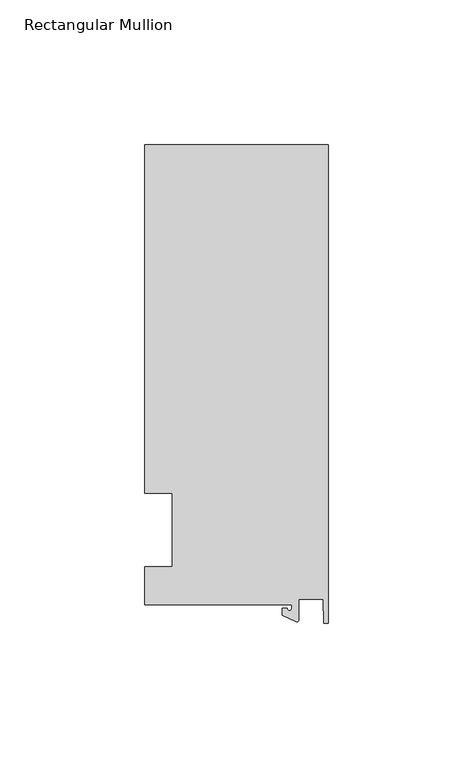
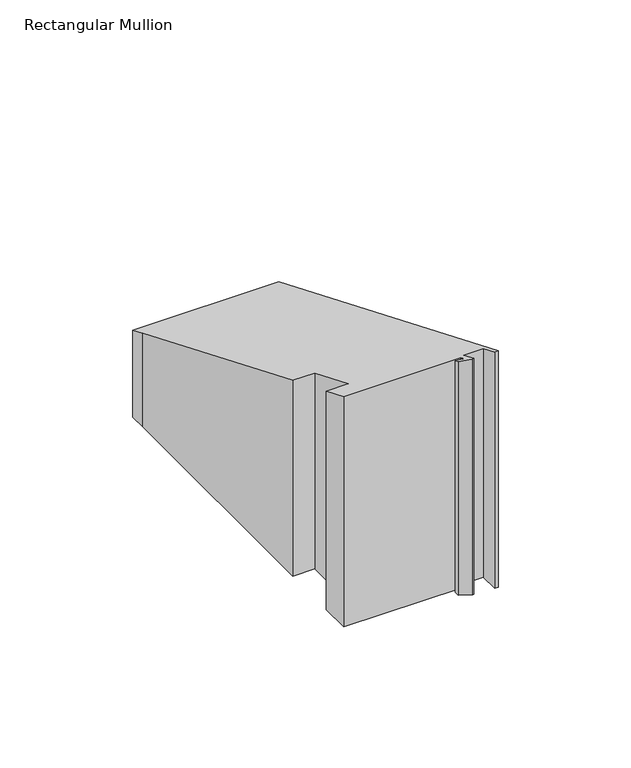
"""IFC4 building model written with IfcOpenShell, lengths in millimetres: member geometry, Rectangular Mullion."""

from ifc_helpers import new_model, si_unit, frame, origin, place, context, project, spatial, polyline, circle_curve, ellipse_curve, source, transform, mapped, element, save
from ifc_brep_helpers import plane_surface, cylinder_surface, revolved_surface, advanced_brep


def rectangular_mullion_6d99e147(model_context):
    return source(origin(), model_context, "Body", "AdvancedBrep", [
        advanced_brep(
        [(-12.6173814, -25.796875, -95.25), (-63.5, -25.796875, -95.25), (-63.5, -12.7, -95.25), (-53.975, -12.7, -95.25), (-53.975, 12.7, -95.25), (-63.5, 12.7, -95.25), (-63.5, 125.8114907, -95.25), (-63.5, 133.34365, -95.25), (0.0, 133.34365, -95.25), (0.0, -32.288874, -95.25), (-1.5658966, -32.288874, -95.25), (-1.7144124, -23.9227662, -95.25), (-10.2297814, -23.9227662, -95.25), (-10.2297814, -31.2414327, -95.25), (-10.9524715, -31.7018371, -95.25), (-15.7923814, -29.44495, -95.25), (-15.7923814, -27.0827507, -95.25), (-14.2048814, -27.0827507, -95.25), (-12.6173814, -27.0827507, -95.25), (-12.6173814, -27.0827507, 11.2180426), (-12.6173814, -25.796875, 10.6854155), (-14.2048814, -27.0827507, 11.2180426), (-15.7923814, -27.0827507, 11.2180426), (-15.7923814, -29.44495, 12.1964976), (-10.9524715, -31.7018371, 13.1313309), (-10.2297814, -31.2414327, 12.9406251), (-10.2297814, -23.9227662, 9.9091342), (-1.7144124, -23.9227662, 9.9091342), (-1.5658966, -32.288874, 13.3744895), (0.0, -32.288874, 13.3744895), (0.0, 133.34365, -55.2327483), (-63.5, 133.34365, -55.2327483), (-63.5, 12.7, -5.2605122), (-63.5, 125.8114907, -52.1128257), (-53.975, 12.7, -5.2605122), (-53.975, -12.7, 5.2605122), (-63.5, -12.7, 5.2605122), (-63.5, -25.796875, 10.6854155)],
        [
            (0, 1),
            (1, 2),
            (2, 3),
            (3, 4),
            (4, 5),
            (5, 6),
            (6, 7),
            (7, 8),
            (8, 9),
            (9, 10),
            (10, 11),
            (11, 12),
            (12, 13),
            (13, 14, circle_curve(frame((-10.7377814, -31.2414327, -95.25), z_axis=(0.0, 0.0, -1.0), x_axis=(-1.0, 0.0, 0.0)), 0.508)),
            (14, 15),
            (15, 16),
            (16, 17),
            (17, 18, circle_curve(frame((-13.4111314, -27.0827507, -95.25), z_axis=(0.0, 0.0, 1.0), x_axis=(-1.0, 0.0, 0.0)), 0.79375)),
            (18, 0),
            (19, 20),
            (20, 0),
            (18, 19),
            (21, 19, ellipse_curve(frame((-13.4111314, -27.0827507, 11.2180426), z_axis=(0.0, 0.3826834323650906, 0.9238795325112864), x_axis=(0.0, 0.9238795325112864, -0.3826834323650908)), 0.8591488, 0.79375)),
            (17, 21),
            (22, 21),
            (16, 22),
            (23, 22),
            (15, 23),
            (24, 23),
            (14, 24),
            (25, 24, ellipse_curve(frame((-10.7377814, -31.2414327, 12.9406251), z_axis=(0.0, -0.3826834323650906, -0.9238795325112864), x_axis=(0.0, -0.9238795325112864, 0.3826834323650908)), 0.5498552, 0.508)),
            (13, 25),
            (26, 25),
            (12, 26),
            (27, 26),
            (11, 27),
            (28, 27),
            (10, 28),
            (29, 28),
            (9, 29),
            (30, 29),
            (8, 30),
            (31, 30),
            (7, 31),
            (32, 33),
            (33, 6),
            (5, 32),
            (34, 32),
            (4, 34),
            (35, 34),
            (3, 35),
            (36, 35),
            (2, 36),
            (37, 36),
            (1, 37),
            (20, 37),
            (31, 33),
        ],
        [
            plane_surface(frame((0.0, -147.6914994, -95.25), z_axis=(0.0, 0.0, -1.0), x_axis=(-1.0, 0.0, 0.0))),
            plane_surface(frame((-12.6173814, -25.796875, 0.0), z_axis=(-1.0, 0.0, 0.0), x_axis=(0.0, 0.0, -1.0))),
            revolved_surface(polyline([(-14.2048814, -27.0827507, -95.25), (-14.2048814, -27.0827507, 11.54682461169635)]), (-13.4111314, -27.0827507, 0.0), (0.0, 0.0, -1.0)),
            plane_surface(frame((-14.2048814, -27.0827507, 0.0), z_axis=(0.0, 1.0, 0.0), x_axis=(0.0, 0.0, -1.0))),
            plane_surface(frame((-15.7923814, -27.0827507, 0.0), z_axis=(-1.0, 0.0, 0.0), x_axis=(0.0, 0.0, -1.0))),
            plane_surface(frame((-15.7923814, -29.44495, 0.0), z_axis=(-0.4226182617406985, -0.9063077870366505, 0.0), x_axis=(0.0, 0.0, -1.0))),
            cylinder_surface(frame((-10.7377814, -31.2414327, 0.0), z_axis=(0.0, 0.0, 1.0), x_axis=(-1.0, 0.0, 0.0)), 0.508),
            plane_surface(frame((-10.2297814, -31.2414327, 0.0), z_axis=(1.0, 0.0, 0.0), x_axis=(0.0, 0.0, -1.0))),
            plane_surface(frame((-10.2297814, -23.9227662, 0.0), z_axis=(0.0, -1.0, 0.0), x_axis=(0.0, 0.0, -1.0))),
            plane_surface(frame((-1.7144124, -23.9227662, 0.0), z_axis=(-0.9998424690407919, -0.017749284560600327, 0.0), x_axis=(0.0, 0.0, -1.0))),
            plane_surface(frame((-1.5658966, -32.288874, 0.0), z_axis=(0.0, -1.0, 0.0), x_axis=(0.0, 0.0, -1.0))),
            plane_surface(frame((0.0, -32.288874, 0.0), z_axis=(1.0, 0.0, 0.0), x_axis=(0.0, 0.0, -1.0))),
            plane_surface(frame((0.0, 133.34365, 0.0), z_axis=(0.0, 1.0, 0.0), x_axis=(0.0, 0.0, -1.0))),
            plane_surface(frame((-63.5, 125.8114907, 0.0), z_axis=(-1.0, 0.0, 0.0), x_axis=(0.0, 0.0, -1.0))),
            plane_surface(frame((-63.5, 12.7, 0.0), z_axis=(0.0, -1.0, 0.0), x_axis=(0.0, 0.0, -1.0))),
            plane_surface(frame((-53.975, 12.7, 0.0), z_axis=(-1.0, 0.0, 0.0), x_axis=(0.0, 0.0, -1.0))),
            plane_surface(frame((-53.975, -12.7, 0.0), z_axis=(0.0, 1.0, 0.0), x_axis=(0.0, 0.0, -1.0))),
            plane_surface(frame((-63.5, -12.7, 0.0), z_axis=(-1.0, 0.0, 0.0), x_axis=(0.0, 0.0, -1.0))),
            plane_surface(frame((-63.5, -25.796875, 0.0), z_axis=(0.0, -1.0, 0.0), x_axis=(0.0, 0.0, -1.0))),
            plane_surface(frame((-304.8, 0.0, 0.0), z_axis=(0.0, 0.3826834323650906, 0.9238795325112864), x_axis=(0.0, 0.9238795325112864, -0.3826834323650906))),
            plane_surface(frame((-63.5, 133.34365, 0.0), z_axis=(-1.0, 0.0, 0.0), x_axis=(0.0, 0.0, -1.0))),
        ],
        [
            (0, [[1, 2, 3, 4, 5, 6, 7, 8, 9, 10, 11, 12, 13, 14, 15, 16, 17, 18, 19]]),
            (1, [[20, 21, -19, 22]]),
            (2, [[23, -22, -18, 24]]),
            (3, [[25, -24, -17, 26]]),
            (4, [[27, -26, -16, 28]]),
            (5, [[29, -28, -15, 30]]),
            (6, [[31, -30, -14, 32]]),
            (7, [[33, -32, -13, 34]]),
            (8, [[35, -34, -12, 36]]),
            (9, [[37, -36, -11, 38]]),
            (10, [[39, -38, -10, 40]]),
            (11, [[41, -40, -9, 42]]),
            (12, [[43, -42, -8, 44]]),
            (13, [[45, 46, -6, 47]]),
            (14, [[48, -47, -5, 49]]),
            (15, [[50, -49, -4, 51]]),
            (16, [[52, -51, -3, 53]]),
            (17, [[54, -53, -2, 55]]),
            (18, [[56, -55, -1, -21]]),
            (19, [[-20, -23, -25, -27, -29, -31, -33, -35, -37, -39, -41, -43, 57, -45, -48, -50, -52, -54, -56]]),
            (20, [[-57, -44, -7, -46]]),
        ],
    ),
    ])


if __name__ == "__main__":
    model = new_model("IFC4")
    model_context = context("Model", 3, world=origin())
    ifc_project = project(units=[si_unit("LENGTHUNIT", "METRE", prefix="MILLI")], contexts=[model_context])
    site = spatial("IfcSite", under=ifc_project)
    building = spatial("IfcBuilding", under=site)
    placement = place(None, origin())
    rectangular_mullion_shape = rectangular_mullion_6d99e147(model_context)
    element("IfcMember", 1, ObjectType="Rectangular Mullion", at=placement, inside=building, context=model_context, shape_type="MappedRepresentation", body=[
        mapped(rectangular_mullion_shape, transform((0.0, 0.0, 0.0), x_axis=(1.0, 0.0, 0.0), y_axis=(0.0, 1.0, 0.0), z_axis=(0.0, 0.0, 1.0))),
    ])
    save(model, "model.ifc")
